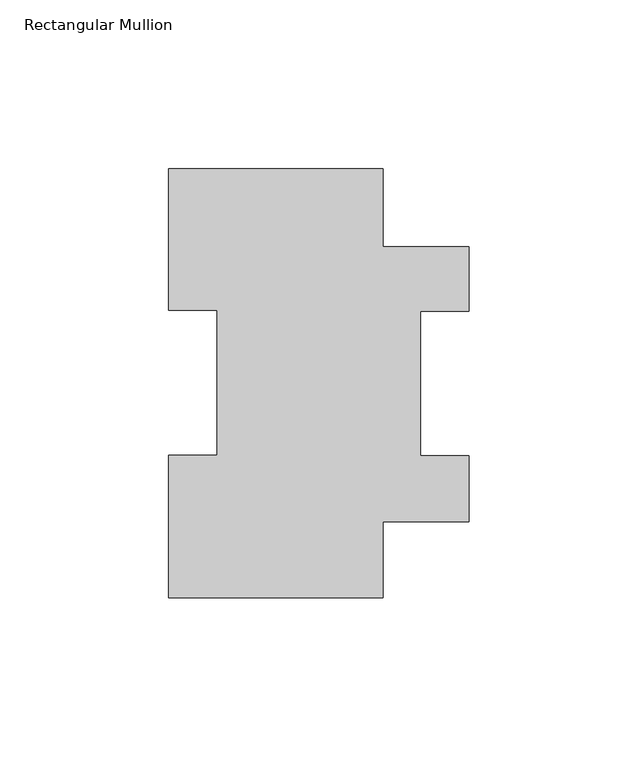
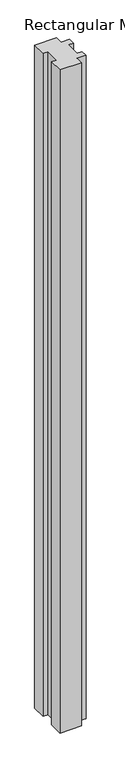
"""IFC4 building model written with IfcOpenShell, lengths in millimetres: member geometry, Rectangular Mullion."""

from ifc_helpers import new_model, si_unit, frame, origin, place, context, project, spatial, polyline, outline, extrude, source, transform, mapped, element, save


def rectangular_mullion_827c02ef(model_context):
    return source(origin(), model_context, "Body", "SweptSolid", [
        extrude(outline(polyline([(31.75, 126.9888875), (31.75, 103.9296055), (57.15, 103.9296055), (57.15, 84.8796055), (42.86504, 84.8796055), (42.86504, 42.0258875), (57.15, 42.0258875), (57.15, 22.5440875), (31.75, 22.5440875), (31.75, -0.0111125), (-31.75, -0.0111125), (-31.75, 42.2798875), (-17.4625, 42.2798875), (-17.4625, 85.1296875), (-31.75, 85.1296875), (-31.75, 126.9888875), (31.75, 126.9888875)])), frame((0.0, 0.0, -2044.4591858), z_axis=(0.0, 0.0, 1.0), x_axis=(1.0, 0.0, 0.0)), (0.0, 0.0, 1.0), 2044.4591858),
    ])


if __name__ == "__main__":
    model = new_model("IFC4")
    model_context = context("Model", 3, world=origin())
    ifc_project = project(units=[si_unit("LENGTHUNIT", "METRE", prefix="MILLI")], contexts=[model_context])
    site = spatial("IfcSite", under=ifc_project)
    building = spatial("IfcBuilding", under=site)
    placement = place(None, origin())
    rectangular_mullion_shape = rectangular_mullion_827c02ef(model_context)
    element("IfcMember", 1, ObjectType="Rectangular Mullion", at=placement, inside=building, context=model_context, shape_type="MappedRepresentation", body=[
        mapped(rectangular_mullion_shape, transform((0.0, 0.0, 0.0), x_axis=(1.0, 0.0, 0.0), y_axis=(0.0, 1.0, 0.0), z_axis=(0.0, 0.0, 1.0))),
    ])
    save(model, "model.ifc")
